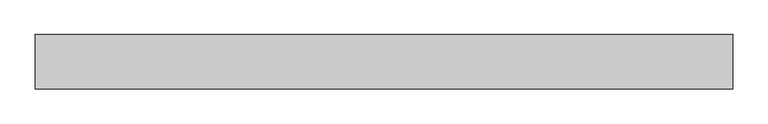
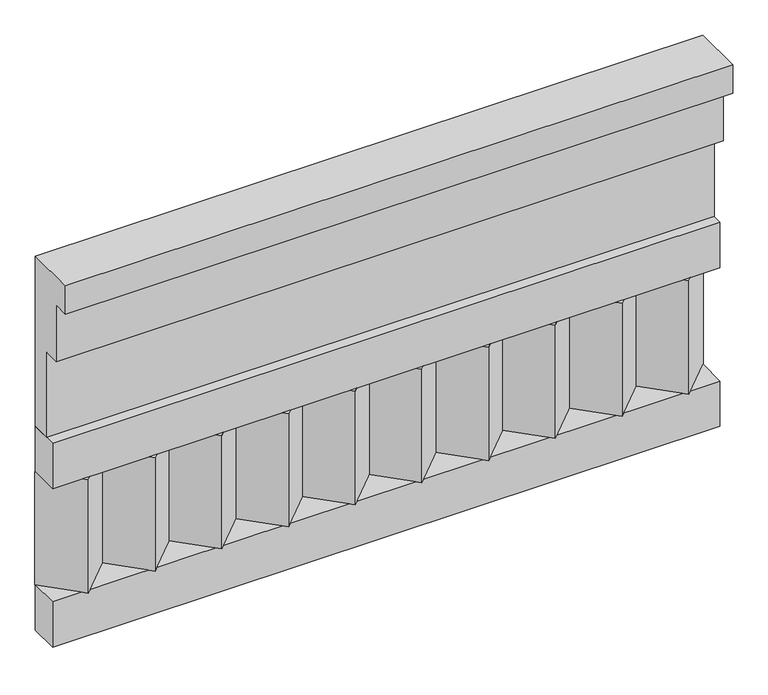
"""IFC4 building model written with IfcOpenShell, lengths in millimetres: railing geometry."""

from ifc_helpers import new_model, si_unit, frame, origin, place, context, project, spatial, polyline, outline, extrude, source, transform, mapped, element, save


def railing_904226d7(model_context):
    return source(origin(), model_context, "Body", "SweptSolid", [
        extrude(outline(polyline([(-16816.8920513, 18500.0), (-16816.8920513, 18050.0), (-16866.8920513, 18050.0), (-16866.8920513, 18275.0), (-16906.8920513, 18275.0), (-16906.8920513, 18425.0), (-16946.8920513, 18425.0), (-16946.8920513, 18500.0), (-16816.8920513, 18500.0)])), frame((22660.0112841, 0.0, 0.0), z_axis=(1.0, 0.0, 0.0), x_axis=(0.0, 1.0, 0.0)), (0.0, 0.0, 1.0), 1670.0),
        extrude(outline(polyline([(22660.0112841, -16891.8920513), (22660.0112841, -16816.8920513), (24330.0112841, -16816.8920513), (24330.0112841, -16891.8920513), (22660.0112841, -16891.8920513)])), frame((0.0, 0.0, 17930.0), z_axis=(0.0, 0.0, 1.0), x_axis=(1.0, 0.0, 0.0)), (0.0, 0.0, 1.0), 120.0),
        extrude(outline(polyline([(22660.0112841, -16891.8920513), (22660.0112841, -16816.8920513), (24330.0112841, -16816.8920513), (24330.0112841, -16891.8920513), (22660.0112841, -16891.8920513)])), frame((0.0, 0.0, 17510.0), z_axis=(0.0, 0.0, 1.0), x_axis=(1.0, 0.0, 0.0)), (0.0, 0.0, 1.0), 120.0),
        extrude(outline(polyline([(24246.5112841, -16901.7448651), (24161.6584704, -16816.8920513), (24331.3640978, -16816.8920513), (24246.5112841, -16901.7448651)])), frame((0.0, 0.0, 17630.0), z_axis=(0.0, 0.0, 1.0), x_axis=(1.0, 0.0, 0.0)), (0.0, 0.0, 1.0), 300.0),
        extrude(outline(polyline([(24079.5112841, -16901.7448651), (23994.6584704, -16816.8920513), (24164.3640978, -16816.8920513), (24079.5112841, -16901.7448651)])), frame((0.0, 0.0, 17630.0), z_axis=(0.0, 0.0, 1.0), x_axis=(1.0, 0.0, 0.0)), (0.0, 0.0, 1.0), 300.0),
        extrude(outline(polyline([(23912.5112841, -16901.7448651), (23827.6584704, -16816.8920513), (23997.3640978, -16816.8920513), (23912.5112841, -16901.7448651)])), frame((0.0, 0.0, 17630.0), z_axis=(0.0, 0.0, 1.0), x_axis=(1.0, 0.0, 0.0)), (0.0, 0.0, 1.0), 300.0),
        extrude(outline(polyline([(23745.5112841, -16901.7448651), (23660.6584704, -16816.8920513), (23830.3640978, -16816.8920513), (23745.5112841, -16901.7448651)])), frame((0.0, 0.0, 17630.0), z_axis=(0.0, 0.0, 1.0), x_axis=(1.0, 0.0, 0.0)), (0.0, 0.0, 1.0), 300.0),
        extrude(outline(polyline([(23578.5112841, -16901.7448651), (23493.6584704, -16816.8920513), (23663.3640978, -16816.8920513), (23578.5112841, -16901.7448651)])), frame((0.0, 0.0, 17630.0), z_axis=(0.0, 0.0, 1.0), x_axis=(1.0, 0.0, 0.0)), (0.0, 0.0, 1.0), 300.0),
        extrude(outline(polyline([(23411.5112841, -16901.7448651), (23326.6584704, -16816.8920513), (23496.3640978, -16816.8920513), (23411.5112841, -16901.7448651)])), frame((0.0, 0.0, 17630.0), z_axis=(0.0, 0.0, 1.0), x_axis=(1.0, 0.0, 0.0)), (0.0, 0.0, 1.0), 300.0),
        extrude(outline(polyline([(23244.5112841, -16901.7448651), (23159.6584704, -16816.8920513), (23329.3640978, -16816.8920513), (23244.5112841, -16901.7448651)])), frame((0.0, 0.0, 17630.0), z_axis=(0.0, 0.0, 1.0), x_axis=(1.0, 0.0, 0.0)), (0.0, 0.0, 1.0), 300.0),
        extrude(outline(polyline([(23077.5112841, -16901.7448651), (22992.6584704, -16816.8920513), (23162.3640978, -16816.8920513), (23077.5112841, -16901.7448651)])), frame((0.0, 0.0, 17630.0), z_axis=(0.0, 0.0, 1.0), x_axis=(1.0, 0.0, 0.0)), (0.0, 0.0, 1.0), 300.0),
        extrude(outline(polyline([(22910.5112841, -16901.7448651), (22825.6584704, -16816.8920513), (22995.3640978, -16816.8920513), (22910.5112841, -16901.7448651)])), frame((0.0, 0.0, 17630.0), z_axis=(0.0, 0.0, 1.0), x_axis=(1.0, 0.0, 0.0)), (0.0, 0.0, 1.0), 300.0),
        extrude(outline(polyline([(22743.5112841, -16901.7448651), (22658.6584704, -16816.8920513), (22828.3640978, -16816.8920513), (22743.5112841, -16901.7448651)])), frame((0.0, 0.0, 17630.0), z_axis=(0.0, 0.0, 1.0), x_axis=(1.0, 0.0, 0.0)), (0.0, 0.0, 1.0), 300.0),
    ])


if __name__ == "__main__":
    model = new_model("IFC4")
    model_context = context("Model", 3, world=origin())
    ifc_project = project(units=[si_unit("LENGTHUNIT", "METRE", prefix="MILLI")], contexts=[model_context])
    site = spatial("IfcSite", under=ifc_project)
    building = spatial("IfcBuilding", under=site)
    placement = place(None, origin())
    railing_shape = railing_904226d7(model_context)
    element("IfcRailing", 1, at=placement, inside=building, context=model_context, shape_type="MappedRepresentation", body=[
        mapped(railing_shape, transform((0.0, 0.0, 0.0), x_axis=(1.0, 0.0, 0.0), y_axis=(0.0, 1.0, 0.0), z_axis=(0.0, 0.0, 1.0))),
    ])
    save(model, "model.ifc")
